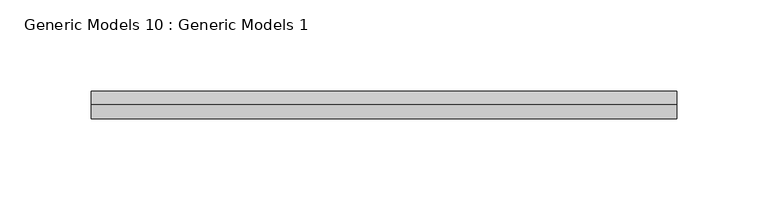
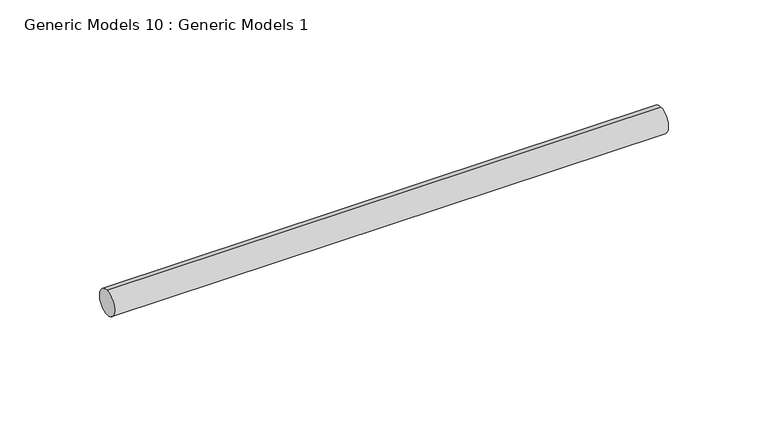
"""IFC4 building model written with IfcOpenShell, lengths in millimetres: proxy geometry, Generic Models 10 : Generic Models 1."""

import ifcopenshell
import ifcopenshell.guid

model = None  # the IFC model being written
_history = None  # IfcOwnerHistory: only IFC2X3 demands one
_inside = {}  # id of a spatial element -> (the spatial element, [elements in it])
_under = {}  # id of a project, library or spatial element -> (it, [spatial elements below it])
_declared = {}  # id of a project -> (the project, [libraries it declares])
_typed = {}  # id of a type object -> (the type object, [elements of that type])
_made_of = {}  # id of a material, layer set ... -> (it, [elements and type objects made of it])


def new_model(schema):
    """Start an empty IFC model of exactly this schema.

    Asked for "IFC4X3", IfcOpenShell would pick the latest addendum, in which some entities
    have other attributes; the version numbers below select the first issue.
    IFC2X3 requires an IfcOwnerHistory on every rooted entity: one is made here for all.
    """
    global model, _history
    if schema == "IFC4X3":
        model = ifcopenshell.file(schema_version=(4, 3, 0, 0))
    else:
        model = ifcopenshell.file(schema=schema)
    _inside.clear()
    _under.clear()
    _declared.clear()
    _typed.clear()
    _made_of.clear()
    _history = None
    if model.schema == "IFC2X3":
        org = make("IfcOrganization", Name="unknown")
        user = make(
            "IfcPersonAndOrganization",
            ThePerson=make("IfcPerson", FamilyName="unknown"),
            TheOrganization=org,
        )
        app = make(
            "IfcApplication",
            ApplicationDeveloper=org,
            Version="unknown",
            ApplicationFullName="unknown",
            ApplicationIdentifier="unknown",
        )
        _history = make(
            "IfcOwnerHistory",
            OwningUser=user,
            OwningApplication=app,
            ChangeAction="ADDED",
            CreationDate=0,
        )
    return model


def make(cls, **values):
    """One entity of the class cls with the attributes given. An attribute that is None is left unset."""
    return model.create_entity(
        cls, **{name: value for name, value in values.items() if value is not None}
    )


def rooted(cls, **values):
    """An entity with a GlobalId (a new one), such as an element, a storey or a relation."""
    return make(cls, GlobalId=ifcopenshell.guid.new(), OwnerHistory=_history, **values)


def si_unit(unit_type, name, prefix=None):
    """IfcSIUnit, for example si_unit("LENGTHUNIT", "METRE", prefix="MILLI")."""
    return make("IfcSIUnit", UnitType=unit_type, Prefix=prefix, Name=name)


def assignment(units):
    """IfcUnitAssignment: the units of a project."""
    return None if units is None else make("IfcUnitAssignment", Units=units)


def point(xyz):
    """IfcCartesianPoint."""
    return None if xyz is None else make("IfcCartesianPoint", Coordinates=xyz)


def direction(xyz):
    """IfcDirection."""
    return None if xyz is None else make("IfcDirection", DirectionRatios=xyz)


def frame(location, z_axis=None, x_axis=None):
    """IfcAxis2Placement3D, a coordinate frame: its origin and axes. An axis left out is left unset."""
    return make(
        "IfcAxis2Placement3D",
        Location=point(location),
        Axis=direction(z_axis),
        RefDirection=direction(x_axis),
    )


def frame_2d(location, x_axis=None):
    """IfcAxis2Placement2D, a coordinate frame in the plane: its origin and x axis."""
    return make(
        "IfcAxis2Placement2D", Location=point(location), RefDirection=direction(x_axis)
    )


def origin():
    """The frame at (0, 0, 0) with its axes left unset."""
    return frame((0.0, 0.0, 0.0))


def place(relative_to, where):
    """IfcLocalPlacement: puts the frame where relative to a parent placement (None: the world)."""
    return make(
        "IfcLocalPlacement", PlacementRelTo=relative_to, RelativePlacement=where
    )


def context(
    kind, dimensions, precision=None, world=None, true_north=None, identifier=None
):
    """IfcGeometricRepresentationContext, for example the 3D "Model" context."""
    return make(
        "IfcGeometricRepresentationContext",
        ContextIdentifier=identifier,
        ContextType=kind,
        CoordinateSpaceDimension=dimensions,
        Precision=precision,
        WorldCoordinateSystem=world,
        TrueNorth=true_north,
    )


def project(units=None, contexts=None):
    """IfcProject with its units and contexts."""
    return rooted(
        "IfcProject",
        Name="project",
        RepresentationContexts=contexts,
        UnitsInContext=assignment(units),
    )


def spatial(cls, under=None, at=None, **own):
    """A site, building, storey or space (cls), placed at a placement, below another one or the project."""
    s = rooted(cls, ObjectPlacement=at, **own)
    if under is not None:
        _under.setdefault(under.id(), (under, []))[1].append(s)
    return s


def circle_curve(where, radius):
    """IfcCircle in the frame where."""
    return make("IfcCircle", Position=where, Radius=radius)


def trimmed(basis, trim1, trim2, sense, master):
    """IfcTrimmedCurve: the piece of a basis curve between two trims."""
    return make(
        "IfcTrimmedCurve",
        BasisCurve=basis,
        Trim1=trim1,
        Trim2=trim2,
        SenseAgreement=sense,
        MasterRepresentation=master,
    )


def segment(curve, same_sense, transition):
    """IfcCompositeCurveSegment."""
    return make(
        "IfcCompositeCurveSegment",
        Transition=transition,
        SameSense=same_sense,
        ParentCurve=curve,
    )


def composite_curve(segments, self_intersect=None):
    """IfcCompositeCurve: segments joined end to end."""
    return make("IfcCompositeCurve", Segments=segments, SelfIntersect=self_intersect)


def outline(outer, holes=None, kind="AREA"):
    """IfcArbitraryClosedProfileDef: a profile drawn as a closed curve; with holes, ...WithVoids."""
    if holes is None:
        return make("IfcArbitraryClosedProfileDef", ProfileType=kind, OuterCurve=outer)
    return make(
        "IfcArbitraryProfileDefWithVoids",
        ProfileType=kind,
        OuterCurve=outer,
        InnerCurves=holes,
    )


def extrude(swept, where, along, depth):
    """IfcExtrudedAreaSolid: the profile swept, set in the frame where, extruded along a direction by depth."""
    return make(
        "IfcExtrudedAreaSolid",
        SweptArea=swept,
        Position=where,
        ExtrudedDirection=direction(along),
        Depth=depth,
    )


def shape(context_of_items, identifier, shape_type, items):
    """IfcShapeRepresentation: the items that make up one representation, for example the "Body"."""
    return make(
        "IfcShapeRepresentation",
        ContextOfItems=context_of_items,
        RepresentationIdentifier=identifier,
        RepresentationType=shape_type,
        Items=items,
    )


def source(mapping_origin, context_of_items, identifier, shape_type, items):
    """IfcRepresentationMap: a shape defined once, which mapped items show again and again."""
    return make(
        "IfcRepresentationMap",
        MappingOrigin=mapping_origin,
        MappedRepresentation=shape(context_of_items, identifier, shape_type, items),
    )


def transform(
    local_origin,
    x_axis=None,
    y_axis=None,
    z_axis=None,
    scale=None,
    scale2=None,
    scale3=None,
    uniform=True,
):
    """IfcCartesianTransformationOperator3D, or its non-uniform kind. x_axis, y_axis, z_axis: its Axis1, 2, 3."""
    if uniform:
        return make(
            "IfcCartesianTransformationOperator3D",
            Axis1=direction(x_axis),
            Axis2=direction(y_axis),
            LocalOrigin=point(local_origin),
            Scale=scale,
            Axis3=direction(z_axis),
        )
    return make(
        "IfcCartesianTransformationOperator3DnonUniform",
        Axis1=direction(x_axis),
        Axis2=direction(y_axis),
        LocalOrigin=point(local_origin),
        Scale=scale,
        Axis3=direction(z_axis),
        Scale2=scale2,
        Scale3=scale3,
    )


def mapped(mapping_source, mapping_target):
    """IfcMappedItem: shows the shape of a source again, moved by a transform."""
    return make(
        "IfcMappedItem", MappingSource=mapping_source, MappingTarget=mapping_target
    )


def made_of(thing, what):
    """Note that an element or type object is made of a material, layer set ...; save() writes the relation."""
    if what is not None:
        _made_of.setdefault(what.id(), (what, []))[1].append(thing)
    return thing


def element(
    cls,
    number,
    at=None,
    inside=None,
    cuts=None,
    type_object=None,
    material=None,
    context=None,
    identifier="Body",
    shape_type=None,
    held_by="IfcProductDefinitionShape",
    body=None,
    shapes=None,
    **own,
):
    """One element of the class cls, such as IfcWall. Its Tag is "e" and its number.

    at: its placement. inside: the storey or other place that contains it. cuts: it is an
    opening in that element (IfcRelVoidsElement). A single representation is given by context,
    identifier, shape_type and body (its items); several are given by shapes. held_by: the class
    of the entity that holds the representations. save() writes the other relations.
    """
    e = rooted(cls, Tag="e%d" % number, ObjectPlacement=at, **own)
    if body is not None:
        shapes = [shape(context, identifier, shape_type, body)]
    if shapes is not None:
        e.Representation = make(held_by, Representations=shapes)
    if inside is not None:
        _inside.setdefault(inside.id(), (inside, []))[1].append(e)
    if cuts is not None:
        rooted(
            "IfcRelVoidsElement", RelatingBuildingElement=cuts, RelatedOpeningElement=e
        )
    if type_object is not None:
        _typed.setdefault(type_object.id(), (type_object, []))[1].append(e)
    return made_of(e, material)


def aggregate(whole, parts):
    """IfcRelAggregates: a whole, such as a stair, and the parts it consists of."""
    return rooted("IfcRelAggregates", RelatingObject=whole, RelatedObjects=parts)


def save(model, path):
    """Write the relations noted so far, then the file.

    IfcRelAggregates (storeys below a building ...), IfcRelContainedInSpatialStructure (elements
    in a storey), IfcRelDefinesByType, IfcRelAssociatesMaterial and IfcRelDeclares: one each for
    every whole, place, type object, material and project.
    """
    for whole, parts in _under.values():
        aggregate(whole, parts)
    for where, things in _inside.values():
        rooted(
            "IfcRelContainedInSpatialStructure",
            RelatedElements=things,
            RelatingStructure=where,
        )
    for kind, things in _typed.values():
        rooted("IfcRelDefinesByType", RelatedObjects=things, RelatingType=kind)
    for what, things in _made_of.values():
        rooted("IfcRelAssociatesMaterial", RelatedObjects=things, RelatingMaterial=what)
    for by, libraries in _declared.values():
        rooted("IfcRelDeclares", RelatingContext=by, RelatedDefinitions=libraries)
    model.write(path)


def generic_models_10_generic_models_1_ae28bbe8(model_context):
    return source(origin(), model_context, "Body", "SweptSolid", [
        extrude(outline(composite_curve([segment(trimmed(circle_curve(frame_2d((400.3057469, -818.1141294)), 7.5), [point((400.3057469, -825.6141294))], [point((400.3057469, -810.6141294))], False, "CARTESIAN"), True, "CONTINUOUS"), segment(trimmed(circle_curve(frame_2d((400.3057469, -818.1141294)), 7.5), [point((400.3057469, -810.6141294))], [point((400.3057469, -825.6141294))], False, "CARTESIAN"), True, "CONTINUOUS")], self_intersect=False)), frame((4077.4941597, 0.0, 0.0), z_axis=(1.0, 0.0, 0.0), x_axis=(0.0, 1.0, 0.0)), (0.0, 0.0, 1.0), 321.0),
    ])


if __name__ == "__main__":
    model = new_model("IFC4")
    model_context = context("Model", 3, world=origin())
    ifc_project = project(units=[si_unit("LENGTHUNIT", "METRE", prefix="MILLI")], contexts=[model_context])
    site = spatial("IfcSite", under=ifc_project)
    building = spatial("IfcBuilding", under=site)
    placement = place(None, origin())
    generic_models_10_generic_models_1_shape = generic_models_10_generic_models_1_ae28bbe8(model_context)
    element("IfcBuildingElementProxy", 1, Name="Generic Models 10 : Generic Models 1", ObjectType="Generic Models 10 : Generic Models 1", at=placement, inside=building, context=model_context, shape_type="MappedRepresentation", body=[
        mapped(generic_models_10_generic_models_1_shape, transform((0.0, 0.0, 0.0), x_axis=(1.0, 0.0, 0.0), y_axis=(0.0, 1.0, 0.0), z_axis=(0.0, 0.0, 1.0))),
    ])
    save(model, "model.ifc")
